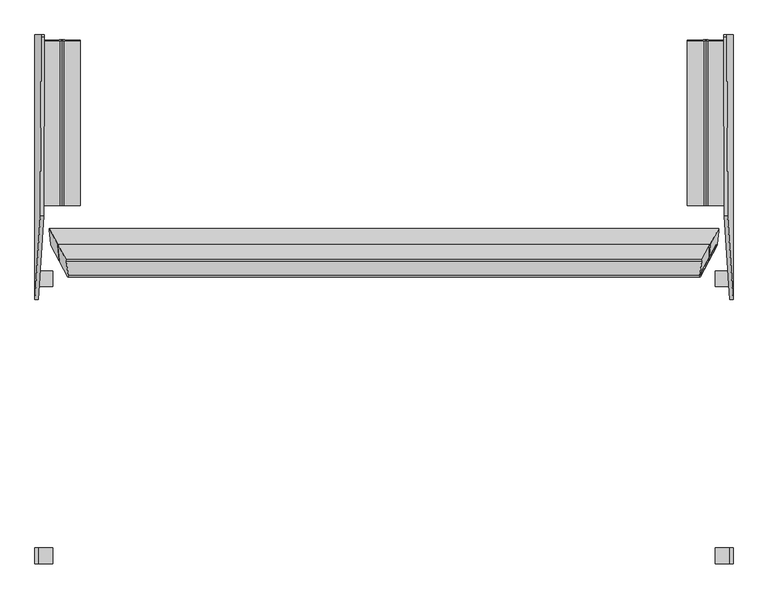
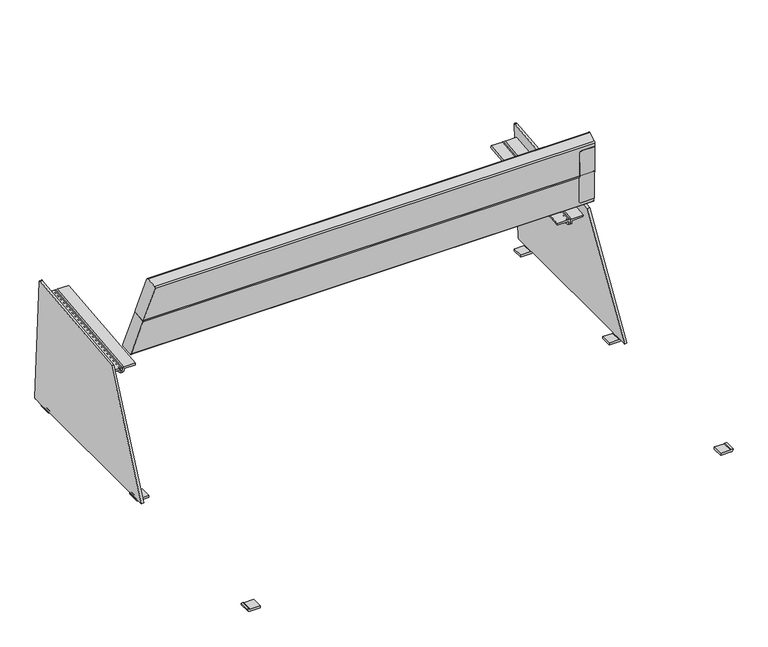
"""IFC4 building model written with IfcOpenShell, lengths in millimetres: furniture geometry."""

from ifc_helpers import new_model, si_unit, point, frame, frame_2d, origin, place, context, project, spatial, polyline, circle_curve, ellipse_curve, trimmed, segment, composite_curve, outline, extrude, source, transform, mapped, element, save
from ifc_brep_helpers import plane_surface, cylinder_surface, revolved_surface, advanced_brep


def furniture_4b49d5e1(model_context):
    return source(origin(), model_context, "Body", "SolidModel", [
        extrude(outline(composite_curve([segment(polyline([(8.0, 873.0307512), (8.0, 836.3870635), (0.0, 836.3870635), (0.0, 874.0907197)]), True, "CONTINUOUS"), segment(trimmed(circle_curve(frame_2d((8.2703475, 873.7509968)), 8.277322), [point((0.0, 874.0907197))], [point((8.2703475, 882.0283188))], False, "CARTESIAN"), True, "CONTINUOUS"), segment(polyline([(8.2703475, 882.0283188), (10.2731042, 882.0283188), (9.9939083, 874.0331922), (9.0714168, 874.0654063)]), True, "CONTINUOUS"), segment(trimmed(circle_curve(frame_2d((9.0352858, 873.0307512)), 1.0352858), [point((9.0714168, 874.0654063))], [point((8.0, 873.0307512))], True, "CARTESIAN"), True, "CONTINUOUS")], self_intersect=False)), frame((0.0, -292.8663844, 0.0), z_axis=(0.0, 1.0, 0.0), x_axis=(0.0, 0.0, 1.0)), (0.0, 0.0, 1.0), 40.0),
        extrude(outline(composite_curve([segment(trimmed(circle_curve(frame_2d((9.0352858, -872.7246235)), 1.0352858), [point((8.0, -872.7246235))], [point((9.0714168, -873.7592787))], True, "CARTESIAN"), True, "CONTINUOUS"), segment(polyline([(9.0714168, -873.7592787), (9.9939083, -873.7270646), (10.2731042, -881.7221912), (8.2703475, -881.7221912)]), True, "CONTINUOUS"), segment(trimmed(circle_curve(frame_2d((8.2703475, -873.4448692)), 8.277322), [point((8.2703475, -881.7221912))], [point((0.0, -873.7845921))], False, "CARTESIAN"), True, "CONTINUOUS"), segment(polyline([(0.0, -873.7845921), (0.0, -836.0809359), (8.0, -836.0809359), (8.0, -872.7246235)]), True, "CONTINUOUS")], self_intersect=False)), frame((0.0, -292.8663844, 0.0), z_axis=(0.0, 1.0, 0.0), x_axis=(0.0, 0.0, 1.0)), (0.0, 0.0, 1.0), 40.0),
        advanced_brep(
        [(868.107991, 586.0009623, 408.8991383), (881.9905734, 374.8756351, 11.3539925), (882.0283188, 377.6111261, 10.2731042), (882.0283188, 407.6111261, 10.2731042), (882.0283188, 447.6111261, 10.2731042), (882.0283188, 963.8214054, 10.2731042), (882.0283188, 1003.8214054, 10.2731042), (882.0283188, 1040.2989159, 10.2731042), (881.8887208, 1044.2989159, 14.2706676), (866.5175483, 1044.2989159, 454.4434578), (866.3787748, 1039.8648139, 458.4174101), (860.1128644, 586.0009623, 408.6199423), (858.3836482, 1039.8648139, 458.1382142), (858.5224217, 1044.2989159, 454.1642618), (873.8935942, 1044.2989159, 13.9914716), (874.0331922, 1040.2989159, 9.9939083), (874.0331922, 1003.8214054, 9.9939083), (874.0654063, 1003.8214054, 9.0714168), (874.0654063, 963.8214054, 9.0714168), (874.0331922, 963.8214054, 9.9939083), (874.0331922, 447.6111261, 9.9939083), (874.0654063, 447.6111261, 9.0714168), (874.0654063, 407.6111261, 9.0714168), (874.0331922, 407.6111261, 9.9939083), (874.0331922, 377.6111261, 9.9939083), (873.9954468, 374.8756351, 11.0747965), (873.0307512, 407.6111261, 8.0), (836.3870635, 407.6111261, 8.0), (836.3870635, 407.6111261, 0.0), (874.0907197, 407.6111261, 0.0), (882.0283188, 407.6111261, 8.2703475), (873.0307512, 447.6111261, 8.0), (882.0283188, 447.6111261, 8.2703475), (874.0907197, 447.6111261, 0.0), (836.3870635, 447.6111261, 0.0), (836.3870635, 447.6111261, 8.0), (873.0307512, 1003.8214054, 8.0), (882.0283188, 1003.8214054, 8.2703475), (874.0907197, 1003.8214054, 0.0), (836.3870635, 1003.8214054, 0.0), (836.3870635, 1003.8214054, 8.0), (873.0307512, 963.8214054, 8.0), (836.3870635, 963.8214054, 8.0), (836.3870635, 963.8214054, 0.0), (874.0907197, 963.8214054, 0.0), (882.0283188, 963.8214054, 8.2703475)],
        [
            (0, 1),
            (1, 2, circle_curve(frame((881.8887163, 377.6111261, 14.2707962), z_axis=(0.9993908270190959, 0.0, 0.0348994967025008), x_axis=(0.0348994967025008, 0.0, -0.9993908270190959)), 4.0001287)),
            (2, 3),
            (3, 4),
            (4, 5),
            (5, 6),
            (6, 7),
            (7, 8, circle_curve(frame((881.8887208, 1040.2989159, 14.2706676), z_axis=(0.9993908270190959, 0.0, 0.0348994967025008), x_axis=(0.0348994967025008, 0.0, -0.9993908270190959)), 4.0)),
            (8, 9),
            (9, 10, circle_curve(frame((866.5175483, 1040.2989159, 454.4434578), z_axis=(0.9993908270190959, 0.0, 0.0348994967025008), x_axis=(0.0348994967025008, 0.0, -0.9993908270190959)), 4.0)),
            (10, 0),
            (11, 12),
            (12, 13, circle_curve(frame((858.5224217, 1040.2989159, 454.1642618), z_axis=(-0.9993908270190959, 0.0, -0.0348994967025008), x_axis=(0.0348994967025008, 0.0, -0.9993908270190959)), 4.0)),
            (13, 14),
            (14, 15, circle_curve(frame((873.8935942, 1040.2989159, 13.9914716), z_axis=(-0.9993908270190959, 0.0, -0.0348994967025008), x_axis=(0.0348994967025008, 0.0, -0.9993908270190959)), 4.0)),
            (15, 16),
            (16, 17),
            (17, 18),
            (18, 19),
            (19, 20),
            (20, 21),
            (21, 22),
            (22, 23),
            (23, 24),
            (24, 25, circle_curve(frame((873.8935897, 377.6111261, 13.9916002), z_axis=(-0.9993908270190959, 0.0, -0.0348994967025008), x_axis=(0.0348994967025008, 0.0, -0.9993908270190959)), 4.0001287)),
            (25, 11),
            (0, 11),
            (25, 1),
            (24, 2),
            (23, 3),
            (15, 7),
            (6, 16),
            (4, 20),
            (19, 5),
            (14, 8),
            (13, 9),
            (12, 10),
            (26, 27),
            (27, 28),
            (28, 29),
            (29, 30, circle_curve(frame((873.7509968, 407.6111261, 8.2703475), z_axis=(0.0, -1.0, 0.0), x_axis=(-1.0, 0.0, 0.0)), 8.277322)),
            (30, 3),
            (22, 26, circle_curve(frame((873.0307512, 407.6111261, 9.0352858), z_axis=(0.0, 1.0, 0.0), x_axis=(-1.0, 0.0, 0.0)), 1.0352858)),
            (31, 21, circle_curve(frame((873.0307512, 447.6111261, 9.0352858), z_axis=(0.0, -1.0, 0.0), x_axis=(-1.0, 0.0, 0.0)), 1.0352858)),
            (4, 32),
            (32, 33, circle_curve(frame((873.7509968, 447.6111261, 8.2703475), z_axis=(0.0, 1.0, 0.0), x_axis=(-1.0, 0.0, 0.0)), 8.277322)),
            (33, 34),
            (34, 35),
            (35, 31),
            (31, 26),
            (28, 34),
            (33, 29),
            (27, 35),
            (30, 32),
            (36, 17, circle_curve(frame((873.0307512, 1003.8214054, 9.0352858), z_axis=(0.0, -1.0, 0.0), x_axis=(-1.0, 0.0, 0.0)), 1.0352858)),
            (6, 37),
            (37, 38, circle_curve(frame((873.7509968, 1003.8214054, 8.2703475), z_axis=(0.0, 1.0, 0.0), x_axis=(-1.0, 0.0, 0.0)), 8.277322)),
            (38, 39),
            (39, 40),
            (40, 36),
            (41, 42),
            (42, 43),
            (43, 44),
            (44, 45, circle_curve(frame((873.7509968, 963.8214054, 8.2703475), z_axis=(0.0, -1.0, 0.0), x_axis=(-1.0, 0.0, 0.0)), 8.277322)),
            (45, 5),
            (18, 41, circle_curve(frame((873.0307512, 963.8214054, 9.0352858), z_axis=(0.0, 1.0, 0.0), x_axis=(-1.0, 0.0, 0.0)), 1.0352858)),
            (36, 41),
            (38, 44),
            (43, 39),
            (42, 40),
            (45, 37),
        ],
        [
            plane_surface(frame((868.0672975, 586.6198261, 410.0644476), z_axis=(0.9993908270190959, 0.0, 0.0348994967025008), x_axis=(0.030826689731681154, -0.46881010804538603, -0.8827608950302795))),
            plane_surface(frame((860.0721709, 586.6198261, 409.7852516), z_axis=(-0.9993908270190959, 0.0, -0.0348994967025008), x_axis=(-0.030826689731681154, 0.46881010804538603, 0.8827608950302795))),
            plane_surface(frame((868.107991, 586.0009623, 408.8991383), z_axis=(-0.01636123681982749, -0.8832989769010681, 0.4685245215943901), x_axis=(-0.9993908270190959, 0.0, -0.03489949670249758))),
            cylinder_surface(frame((873.8935897, 377.6111261, 13.9916002), z_axis=(0.9993908270190959, 0.0, 0.0348994967025008), x_axis=(0.0348994967025008, 0.0, -0.9993908270190959)), 4.0001287),
            plane_surface(frame((882.0283188, 377.6111261, 10.2731042), z_axis=(0.034899496702506035, 0.0, -0.9993908270190955), x_axis=(-0.9993908270190955, 0.0, -0.034899496702506035))),
            cylinder_surface(frame((873.8935942, 1040.2989159, 13.9914716), z_axis=(0.9993908270190959, 0.0, 0.0348994967025008), x_axis=(0.0348994967025008, 0.0, -0.9993908270190959)), 4.0),
            plane_surface(frame((881.8887208, 1044.2989159, 14.2706676), z_axis=(0.0, 1.0, 0.0), x_axis=(-0.9993908270190959, 0.0, -0.03489949670249758))),
            cylinder_surface(frame((858.5224217, 1040.2989159, 454.1642618), z_axis=(0.9993908270190959, 0.0, 0.0348994967025008), x_axis=(0.0348994967025008, 0.0, -0.9993908270190959)), 4.0),
            plane_surface(frame((866.3787748, 1039.8648139, 458.4174101), z_axis=(-0.03469336856702337, -0.10852550922751893, 0.9934880895231611), x_axis=(-0.9993908270190962, 0.0, -0.03489949670248914))),
            plane_surface(frame((836.3870635, 407.6111261, 8.0), z_axis=(0.0, -1.0, 0.0), x_axis=(-1.0, 0.0, 0.0))),
            plane_surface(frame((836.3870635, 447.6111261, 8.0), z_axis=(0.0, 1.0, 0.0), x_axis=(1.0, 0.0, 0.0))),
            revolved_surface(polyline([(871.9954654000001, 447.6111261, 9.0352858), (871.9954654000001, 407.6111261, 9.0352858)]), (873.0307512, 447.6111261, 9.0352858), (0.0, 1.0, 0.0)),
            plane_surface(frame((836.3870635, 407.6111261, 0.0), z_axis=(0.0, 0.0, -1.0), x_axis=(0.0, 1.0, 0.0))),
            plane_surface(frame((836.3870635, 407.6111261, 8.0), z_axis=(-1.0, 0.0, 0.0), x_axis=(0.0, 1.0, 0.0))),
            plane_surface(frame((873.0307512, 407.6111261, 8.0), z_axis=(0.0, 0.0, 1.0), x_axis=(0.0, 1.0, 0.0))),
            plane_surface(frame((882.0283188, 407.6111261, 8.2703475), z_axis=(1.0, 0.0, 0.0), x_axis=(0.0, 1.0, 0.0))),
            cylinder_surface(frame((873.7509968, 447.6111261, 8.2703475), z_axis=(0.0, -1.0, 0.0), x_axis=(-1.0, 0.0, 0.0)), 8.277322),
            plane_surface(frame((871.9954653, 1003.8214054, 9.0352858), z_axis=(0.0, 1.0, 0.0), x_axis=(0.0, 0.0, -1.0))),
            plane_surface(frame((871.9954653, 963.8214054, 9.0352858), z_axis=(0.0, -1.0, 0.0), x_axis=(0.0, 0.0, 1.0))),
            revolved_surface(polyline([(871.9954654000001, 963.8214054, 9.0352858), (871.9954654000001, 1003.8214054, 9.0352858)]), (873.0307512, 963.8214054, 9.0352858), (0.0, -1.0, 0.0)),
            plane_surface(frame((874.0907197, 1003.8214054, 0.0), z_axis=(0.0, 0.0, -1.0), x_axis=(0.0, -1.0, 0.0))),
            plane_surface(frame((836.3870635, 1003.8214054, 0.0), z_axis=(-1.0, 0.0, 0.0), x_axis=(0.0, -1.0, 0.0))),
            plane_surface(frame((836.3870635, 1003.8214054, 8.0), z_axis=(0.0, 0.0, 1.0), x_axis=(0.0, -1.0, 0.0))),
            plane_surface(frame((882.0283188, 1003.8214054, 10.2731042), z_axis=(1.0, 0.0, 0.0), x_axis=(0.0, -1.0, 0.0))),
            cylinder_surface(frame((873.7509968, 963.8214054, 8.2703475), z_axis=(0.0, 1.0, 0.0), x_axis=(-1.0, 0.0, 0.0)), 8.277322),
        ],
        [
            (0, [[1, 2, 3, 4, 5, 6, 7, 8, 9, 10, 11]]),
            (1, [[12, 13, 14, 15, 16, 17, 18, 19, 20, 21, 22, 23, 24, 25, 26]]),
            (2, [[-1, 27, -26, 28]]),
            (3, [[-2, -28, -25, 29]]),
            (4, [[-29, -24, 30, -3]]),
            (4, [[31, -7, 32, -16]]),
            (4, [[33, -20, 34, -5]]),
            (5, [[-8, -31, -15, 35]]),
            (6, [[-9, -35, -14, 36]]),
            (7, [[-10, -36, -13, 37]]),
            (8, [[-11, -37, -12, -27]]),
            (9, [[38, 39, 40, 41, 42, -30, -23, 43]]),
            (10, [[44, -21, -33, 45, 46, 47, 48, 49]]),
            (11, [[-43, -22, -44, 50]]),
            (12, [[-40, 51, -47, 52]]),
            (13, [[-39, 53, -48, -51]]),
            (14, [[-38, -50, -49, -53]]),
            (15, [[-42, 54, -45, -4]]),
            (16, [[-41, -52, -46, -54]]),
            (17, [[55, -17, -32, 56, 57, 58, 59, 60]]),
            (18, [[61, 62, 63, 64, 65, -34, -19, 66]]),
            (19, [[-55, 67, -66, -18]]),
            (20, [[-58, 68, -63, 69]]),
            (21, [[-59, -69, -62, 70]]),
            (22, [[-60, -70, -61, -67]]),
            (23, [[-56, -6, -65, 71]]),
            (24, [[-57, -71, -64, -68]]),
        ],
    ),
        advanced_brep(
        [(812.5430123, 614.3955054, 347.1443157), (812.5430123, 1032.0535086, 392.7020678), (812.5430123, 1030.2988015, 408.7964286), (812.5430123, 612.6384188, 363.2605016), (806.5474184, 1032.0535086, 392.7020678), (806.5474184, 614.3955054, 347.1443157), (806.5474184, 613.1170209, 358.8707122), (806.5474184, 1030.7774035, 404.4066392), (805.5963377, 1030.6743217, 405.3521172), (766.5577736, 1030.6743217, 405.3521172), (766.5577736, 1029.8652657, 412.772865), (808.5430123, 1029.8652657, 412.772865), (808.5430123, 612.2048831, 367.236938), (766.5577736, 612.2048831, 367.236938), (766.5577736, 613.013939, 359.8161902), (805.5963377, 613.013939, 359.8161902)],
        [
            (0, 1, circle_curve(frame((812.5430123, 770.7220857, 851.2475639), z_axis=(1.0, 0.0, 0.0), x_axis=(0.0, 1.0, 0.0)), 527.7860216)),
            (1, 2),
            (2, 3),
            (3, 0),
            (4, 5, circle_curve(frame((806.5474184, 770.7220857, 851.2475639), z_axis=(-1.0, 0.0, 0.0), x_axis=(0.0, 1.0, 0.0)), 527.7860216)),
            (5, 6),
            (6, 7),
            (7, 4),
            (1, 4),
            (7, 8, circle_curve(frame((805.5963377, 1030.7774035, 404.4066392), z_axis=(0.0, -0.9941091089617909, -0.10838394474826071), x_axis=(0.0, 0.10838394474826071, -0.9941091089617909)), 0.9510807)),
            (8, 9),
            (9, 10),
            (10, 11),
            (11, 2, circle_curve(frame((808.5430123, 1030.2988015, 408.7964286), z_axis=(0.0, 0.9941091089617909, 0.10838394474826071), x_axis=(0.0, 0.10838394474826071, -0.9941091089617909)), 4.0)),
            (0, 5),
            (3, 12, circle_curve(frame((808.5430123, 612.6384188, 363.2605016), z_axis=(0.0, -0.9941091089617909, -0.10838394474826071), x_axis=(0.0, 0.10838394474826071, -0.9941091089617909)), 4.0)),
            (12, 13),
            (13, 14),
            (14, 15),
            (15, 6, circle_curve(frame((805.5963377, 613.1170209, 358.8707122), z_axis=(0.0, 0.9941091089617909, 0.10838394474826071), x_axis=(0.0, 0.10838394474826071, -0.9941091089617909)), 0.9510807)),
            (9, 14),
            (13, 10),
            (8, 15),
            (11, 12),
        ],
        [
            plane_surface(frame((812.5430123, 613.1510989, 358.5581456), z_axis=(1.0, 0.0, 0.0), x_axis=(0.0, -0.9941091089617913, -0.10838394474825762))),
            plane_surface(frame((806.5474184, 613.1510989, 358.5581456), z_axis=(-1.0, 0.0, 0.0), x_axis=(0.0, 0.9941091089617913, 0.10838394474825762))),
            plane_surface(frame((812.5430123, 1032.0535086, 392.7020678), z_axis=(0.0, 0.994109108961791, 0.10838394474826007), x_axis=(-1.0, 0.0, 0.0))),
            cylinder_surface(frame((806.5474184, 770.7220857, 851.2475639), z_axis=(1.0, 0.0, 0.0), x_axis=(0.0, 1.0, 0.0)), 527.7860216),
            plane_surface(frame((812.5430123, 613.1510989, 358.5581456), z_axis=(0.0, -0.994109108961791, -0.10838394474826041), x_axis=(-1.0, 0.0, 0.0))),
            plane_surface(frame((766.5577736, 1030.6743217, 405.3521172), z_axis=(-1.0000000000000002, 0.0, 0.0), x_axis=(0.0, -0.994109108961791, -0.10838394474826069))),
            plane_surface(frame((805.5963377, 1030.6743217, 405.3521172), z_axis=(0.0, 0.10838394474826069, -0.994109108961791), x_axis=(0.0, -0.994109108961791, -0.10838394474826069))),
            revolved_surface(polyline([(805.5963377, 613.220102757714, 357.9252342105562), (805.5963377, 1030.8804854548553, 403.46116123677587)]), (805.5963377, 613.1170209, 358.8707122), (0.0, -0.9941091089617909, -0.10838394474826071)),
            cylinder_surface(frame((808.5430123, 612.6384188, 363.2605016), z_axis=(0.0, 0.9941091089617909, 0.10838394474826071), x_axis=(0.0, 0.10838394474826071, -0.9941091089617909)), 4.0),
            plane_surface(frame((766.5577736, 1029.8652657, 412.772865), z_axis=(0.0, -0.10838394474826069, 0.994109108961791), x_axis=(0.0, -0.994109108961791, -0.10838394474826069))),
        ],
        [
            (0, [[1, 2, 3, 4]]),
            (1, [[5, 6, 7, 8]]),
            (2, [[-2, 9, -8, 10, 11, 12, 13, 14]]),
            (3, [[-1, 15, -5, -9]]),
            (4, [[-6, -15, -4, 16, 17, 18, 19, 20]]),
            (5, [[-12, 21, -18, 22]]),
            (6, [[-11, 23, -19, -21]]),
            (7, [[-10, -7, -20, -23]]),
            (8, [[-14, 24, -16, -3]]),
            (9, [[-13, -22, -17, -24]]),
        ],
    ),
        advanced_brep(
        [(813.6175866, 1032.0535086, 392.7020678), (813.6175866, 614.3955054, 347.1443157), (813.6175866, 612.6552624, 363.1060105), (813.6175866, 1030.315645, 408.6419375), (819.6131806, 614.3955054, 347.1443157), (819.6131806, 1032.0535086, 392.7020678), (819.6131806, 1030.7774035, 404.4066392), (819.6131806, 613.1170209, 358.8707122), (817.6175866, 1029.8821093, 412.6183739), (859.6028254, 1029.8821093, 412.6183739), (859.6028254, 1030.6743217, 405.3521172), (820.5642613, 1030.6743217, 405.3521172), (820.5642613, 613.013939, 359.8161902), (859.6028254, 613.013939, 359.8161902), (859.6028254, 612.2217266, 367.0824469), (817.6175866, 612.2217266, 367.0824469)],
        [
            (0, 1, circle_curve(frame((813.6175866, 770.7220857, 851.2475639), z_axis=(-1.0, 0.0, 0.0), x_axis=(0.0, 1.0, 0.0)), 527.7860216)),
            (1, 2),
            (2, 3),
            (3, 0),
            (4, 5, circle_curve(frame((819.6131806, 770.7220857, 851.2475639), z_axis=(1.0, 0.0, 0.0), x_axis=(0.0, 1.0, 0.0)), 527.7860216)),
            (5, 6),
            (6, 7),
            (7, 4),
            (5, 0),
            (3, 8, circle_curve(frame((817.6175866, 1030.315645, 408.6419375), z_axis=(0.0, 0.9941091089617909, 0.10838394474826071), x_axis=(0.0, 0.10838394474826071, -0.9941091089617909)), 4.0)),
            (8, 9),
            (9, 10),
            (10, 11),
            (11, 6, circle_curve(frame((820.5642613, 1030.7774035, 404.4066392), z_axis=(0.0, -0.9941091089617909, -0.10838394474826071), x_axis=(0.0, 0.10838394474826071, -0.9941091089617909)), 0.9510807)),
            (4, 1),
            (7, 12, circle_curve(frame((820.5642613, 613.1170209, 358.8707122), z_axis=(0.0, 0.9941091089617909, 0.10838394474826071), x_axis=(0.0, 0.10838394474826071, -0.9941091089617909)), 0.9510807)),
            (12, 13),
            (13, 14),
            (14, 15),
            (15, 2, circle_curve(frame((817.6175866, 612.6552624, 363.1060105), z_axis=(0.0, -0.9941091089617909, -0.10838394474826071), x_axis=(0.0, 0.10838394474826071, -0.9941091089617909)), 4.0)),
            (9, 14),
            (13, 10),
            (12, 11),
            (15, 8),
        ],
        [
            plane_surface(frame((813.6175866, 1030.8114815, 404.0940726), z_axis=(-1.0, 0.0, 0.0), x_axis=(0.0, 0.10838394474826071, -0.9941091089617909))),
            plane_surface(frame((819.6131806, 1030.8114815, 404.0940726), z_axis=(1.0, 0.0, 0.0), x_axis=(0.0, -0.10838394474826071, 0.9941091089617909))),
            plane_surface(frame((813.6175866, 1030.8114815, 404.0940726), z_axis=(0.0, 0.9941091089617909, 0.10838394474826071), x_axis=(1.0, 0.0, 0.0))),
            cylinder_surface(frame((819.6131806, 770.7220857, 851.2475639), z_axis=(-1.0, 0.0, 0.0), x_axis=(0.0, 1.0, 0.0)), 527.7860216),
            plane_surface(frame((813.6175866, 614.3955054, 347.1443157), z_axis=(0.0, -0.994109108961791, -0.10838394474826041), x_axis=(1.0, 0.0, 0.0))),
            plane_surface(frame((859.6028254, 1029.8821093, 412.6183739), z_axis=(1.0000000000000002, 0.0, 0.0), x_axis=(0.0, -0.994109108961791, -0.10838394474826081))),
            plane_surface(frame((859.6028254, 1030.6743217, 405.3521172), z_axis=(0.0, 0.10838394474826064, -0.994109108961791), x_axis=(0.0, -0.994109108961791, -0.10838394474826064))),
            revolved_surface(polyline([(820.5642613, 613.220102757714, 357.9252342105562), (820.5642613, 1030.8804854548553, 403.46116123677587)]), (820.5642613, 613.1170209, 358.8707122), (0.0, -0.9941091089617909, -0.10838394474826071)),
            cylinder_surface(frame((817.6175866, 612.6552624, 363.1060105), z_axis=(0.0, 0.9941091089617909, 0.10838394474826071), x_axis=(0.0, 0.10838394474826071, -0.9941091089617909)), 4.0),
            plane_surface(frame((817.6175866, 1029.8821093, 412.6183739), z_axis=(0.0, -0.10838394474826081, 0.994109108961791), x_axis=(0.0, -0.994109108961791, -0.10838394474826081))),
        ],
        [
            (0, [[1, 2, 3, 4]]),
            (1, [[5, 6, 7, 8]]),
            (2, [[-6, 9, -4, 10, 11, 12, 13, 14]]),
            (3, [[-1, -9, -5, 15]]),
            (4, [[-2, -15, -8, 16, 17, 18, 19, 20]]),
            (5, [[-12, 21, -18, 22]]),
            (6, [[-13, -22, -17, 23]]),
            (7, [[-14, -23, -16, -7]]),
            (8, [[-10, -3, -20, 24]]),
            (9, [[-11, -24, -19, -21]]),
        ],
    ),
        advanced_brep(
        [(-813.6175866, 614.3955054, 347.1443157), (-813.6175866, 1032.0535086, 392.7020678), (-813.6175866, 1030.2867994, 408.9065131), (-813.6175866, 612.6264167, 363.3705861), (-819.6131806, 1032.0535086, 392.7020678), (-819.6131806, 614.3955054, 347.1443157), (-819.6131806, 613.1170209, 358.8707122), (-819.6131806, 1030.7774035, 404.4066392), (-820.5642613, 1030.6743217, 405.3521172), (-859.6028254, 1030.6743217, 405.3521172), (-859.6028254, 1029.8532636, 412.8829495), (-817.6175866, 1029.8532636, 412.8829495), (-817.6175866, 612.192881, 367.3470225), (-859.6028254, 612.192881, 367.3470225), (-859.6028254, 613.013939, 359.8161902), (-820.5642613, 613.013939, 359.8161902)],
        [
            (0, 1, circle_curve(frame((-813.6175866, 770.7220857, 851.2475639), z_axis=(1.0, 0.0, 0.0), x_axis=(0.0, 1.0, 0.0)), 527.7860216)),
            (1, 2),
            (2, 3),
            (3, 0),
            (4, 5, circle_curve(frame((-819.6131806, 770.7220857, 851.2475639), z_axis=(-1.0, 0.0, 0.0), x_axis=(0.0, 1.0, 0.0)), 527.7860216)),
            (5, 6),
            (6, 7),
            (7, 4),
            (1, 4),
            (7, 8, circle_curve(frame((-820.5642613, 1030.7774035, 404.4066392), z_axis=(0.0, -0.9941091089617909, -0.10838394474826071), x_axis=(0.0, 0.10838394474826071, -0.9941091089617909)), 0.9510807)),
            (8, 9),
            (9, 10),
            (10, 11),
            (11, 2, circle_curve(frame((-817.6175866, 1030.2867994, 408.9065131), z_axis=(0.0, 0.9941091089617909, 0.10838394474826071), x_axis=(0.0, 0.10838394474826071, -0.9941091089617909)), 4.0)),
            (0, 5),
            (3, 12, circle_curve(frame((-817.6175866, 612.6264167, 363.3705861), z_axis=(0.0, -0.9941091089617909, -0.10838394474826071), x_axis=(0.0, 0.10838394474826071, -0.9941091089617909)), 4.0)),
            (12, 13),
            (13, 14),
            (14, 15),
            (15, 6, circle_curve(frame((-820.5642613, 613.1170209, 358.8707122), z_axis=(0.0, 0.9941091089617909, 0.10838394474826071), x_axis=(0.0, 0.10838394474826071, -0.9941091089617909)), 0.9510807)),
            (9, 14),
            (13, 10),
            (8, 15),
            (11, 12),
        ],
        [
            plane_surface(frame((-813.6175866, 613.1510989, 358.5581456), z_axis=(1.0, 0.0, 0.0), x_axis=(0.0, -0.9941091089617913, -0.10838394474825762))),
            plane_surface(frame((-819.6131806, 613.1510989, 358.5581456), z_axis=(-1.0, 0.0, 0.0), x_axis=(0.0, 0.9941091089617913, 0.10838394474825762))),
            plane_surface(frame((-813.6175866, 1032.0535086, 392.7020678), z_axis=(0.0, 0.9941091089617909, 0.10838394474826071), x_axis=(-1.0, 0.0, 0.0))),
            cylinder_surface(frame((-819.6131806, 770.7220857, 851.2475639), z_axis=(1.0, 0.0, 0.0), x_axis=(0.0, 1.0, 0.0)), 527.7860216),
            plane_surface(frame((-813.6175866, 613.1510989, 358.5581456), z_axis=(0.0, -0.994109108961791, -0.10838394474826041), x_axis=(-1.0, 0.0, 0.0))),
            plane_surface(frame((-859.6028254, 1030.6743217, 405.3521172), z_axis=(-1.0000000000000002, 0.0, 0.0), x_axis=(0.0, -0.994109108961791, -0.10838394474826064))),
            plane_surface(frame((-820.5642613, 1030.6743217, 405.3521172), z_axis=(0.0, 0.10838394474826064, -0.994109108961791), x_axis=(0.0, -0.994109108961791, -0.10838394474826064))),
            revolved_surface(polyline([(-820.5642613, 613.220102757714, 357.9252342105562), (-820.5642613, 1030.8804854548553, 403.46116123677587)]), (-820.5642613, 613.1170209, 358.8707122), (0.0, -0.9941091089617909, -0.10838394474826071)),
            cylinder_surface(frame((-817.6175866, 612.6264167, 363.3705861), z_axis=(0.0, 0.9941091089617909, 0.10838394474826071), x_axis=(0.0, 0.10838394474826071, -0.9941091089617909)), 4.0),
            plane_surface(frame((-859.6028254, 1029.8532636, 412.8829495), z_axis=(0.0, -0.10838394474826064, 0.994109108961791), x_axis=(0.0, -0.994109108961791, -0.10838394474826064))),
        ],
        [
            (0, [[1, 2, 3, 4]]),
            (1, [[5, 6, 7, 8]]),
            (2, [[-2, 9, -8, 10, 11, 12, 13, 14]]),
            (3, [[-1, 15, -5, -9]]),
            (4, [[-6, -15, -4, 16, 17, 18, 19, 20]]),
            (5, [[-12, 21, -18, 22]]),
            (6, [[-11, 23, -19, -21]]),
            (7, [[-10, -7, -20, -23]]),
            (8, [[-14, 24, -16, -3]]),
            (9, [[-13, -22, -17, -24]]),
        ],
    ),
        advanced_brep(
        [(-766.5577736, 1029.8448496, 412.9601231), (-766.5577736, 1030.6743217, 405.3521172), (-805.5963377, 1030.6743217, 405.3521172), (-806.5474184, 1030.7774035, 404.4066392), (-806.5474184, 1032.0535086, 392.7020678), (-812.5430123, 1032.0535086, 392.7020678), (-812.5430123, 1030.8114815, 404.0940726), (-812.5430123, 1030.2783854, 408.9836866), (-808.5430123, 1029.8448496, 412.9601231), (-766.5577736, 612.184467, 367.4241961), (-808.5430123, 612.184467, 367.4241961), (-812.5430123, 612.6180028, 363.4477596), (-812.5430123, 613.1510989, 358.5581456), (-812.5430123, 614.3955054, 347.1443157), (-806.5474184, 614.3955054, 347.1443157), (-806.5474184, 613.1170209, 358.8707122), (-805.5963377, 613.013939, 359.8161902), (-766.5577736, 613.013939, 359.8161902)],
        [
            (0, 1),
            (1, 2),
            (2, 3, circle_curve(frame((-805.5963377, 1030.7774035, 404.4066392), z_axis=(0.0, -0.9941091089617909, -0.10838394474826071), x_axis=(0.0, 0.10838394474826071, -0.9941091089617909)), 0.9510807)),
            (3, 4),
            (4, 5),
            (5, 6),
            (6, 7),
            (7, 8, circle_curve(frame((-808.5430123, 1030.2783854, 408.9836866), z_axis=(0.0, 0.9941091089617909, 0.10838394474826071), x_axis=(0.0, 0.10838394474826071, -0.9941091089617909)), 4.0)),
            (8, 0),
            (9, 10),
            (10, 11, circle_curve(frame((-808.5430123, 612.6180028, 363.4477596), z_axis=(0.0, -0.9941091089617909, -0.10838394474826071), x_axis=(0.0, 0.10838394474826071, -0.9941091089617909)), 4.0)),
            (11, 12),
            (12, 13),
            (13, 14),
            (14, 15),
            (15, 16, circle_curve(frame((-805.5963377, 613.1170209, 358.8707122), z_axis=(0.0, 0.9941091089617909, 0.10838394474826071), x_axis=(0.0, 0.10838394474826071, -0.9941091089617909)), 0.9510807)),
            (16, 17),
            (17, 9),
            (0, 9),
            (17, 1),
            (16, 2),
            (15, 3),
            (14, 4, circle_curve(frame((-806.5474184, 770.7220857, 851.2475639), z_axis=(1.0, 0.0, 0.0), x_axis=(0.0, 1.0, 0.0)), 527.7860216)),
            (5, 13, circle_curve(frame((-812.5430123, 770.7220857, 851.2475639), z_axis=(-1.0, 0.0, 0.0), x_axis=(0.0, 1.0, 0.0)), 527.7860216)),
            (12, 6),
            (11, 7),
            (10, 8),
        ],
        [
            plane_surface(frame((-766.5577736, 1030.7974029, 404.223203), z_axis=(0.0, 0.9941091089617909, 0.1083839447482607), x_axis=(0.0, 0.1083839447482607, -0.9941091089617909))),
            plane_surface(frame((-766.5577736, 613.1370203, 358.6872759), z_axis=(0.0, -0.9941091089617909, -0.1083839447482607), x_axis=(0.0, -0.1083839447482607, 0.9941091089617909))),
            plane_surface(frame((-766.5577736, 1029.8448496, 412.9601231), z_axis=(1.0000000000000002, 0.0, 0.0), x_axis=(0.0, -0.994109108961791, -0.10838394474826064))),
            plane_surface(frame((-766.5577736, 1030.6743217, 405.3521172), z_axis=(0.0, 0.10838394474826064, -0.994109108961791), x_axis=(0.0, -0.994109108961791, -0.10838394474826064))),
            revolved_surface(polyline([(-805.5963377, 613.220102757714, 357.9252342105562), (-805.5963377, 1030.8804854548553, 403.46116123677587)]), (-805.5963377, 613.1170209, 358.8707122), (0.0, -0.9941091089617909, -0.10838394474826071)),
            plane_surface(frame((-806.5474184, 1030.7774035, 404.4066392), z_axis=(1.0000000000000002, 0.0, 0.0), x_axis=(0.0, -0.994109108961791, -0.10838394474826064))),
            plane_surface(frame((-812.5430123, 1031.1577981, 400.9176199), z_axis=(-1.0000000000000002, 0.0, 0.0), x_axis=(0.0, -0.994109108961791, -0.10838394474826069))),
            plane_surface(frame((-812.5430123, 1030.8114815, 404.0940726), z_axis=(-1.0000000000000002, 0.0, 0.0), x_axis=(0.0, -0.994109108961791, -0.10838394474826064))),
            cylinder_surface(frame((-808.5430123, 612.6180028, 363.4477596), z_axis=(0.0, 0.9941091089617909, 0.10838394474826071), x_axis=(0.0, 0.10838394474826071, -0.9941091089617909)), 4.0),
            plane_surface(frame((-808.5430123, 1029.8448496, 412.9601231), z_axis=(0.0, -0.10838394474826064, 0.994109108961791), x_axis=(0.0, -0.994109108961791, -0.10838394474826064))),
            cylinder_surface(frame((-806.5474184, 770.7220857, 851.2475639), z_axis=(-1.0, 0.0, 0.0), x_axis=(0.0, 1.0, 0.0)), 527.7860216),
        ],
        [
            (0, [[1, 2, 3, 4, 5, 6, 7, 8, 9]]),
            (1, [[10, 11, 12, 13, 14, 15, 16, 17, 18]]),
            (2, [[-1, 19, -18, 20]]),
            (3, [[-2, -20, -17, 21]]),
            (4, [[-3, -21, -16, 22]]),
            (5, [[-4, -22, -15, 23]]),
            (6, [[-6, 24, -13, 25]]),
            (7, [[-7, -25, -12, 26]]),
            (8, [[-8, -26, -11, 27]]),
            (9, [[-9, -27, -10, -19]]),
            (10, [[-24, -5, -23, -14]]),
        ],
    ),
        advanced_brep(
        [(-872.7246235, 407.6111261, 8.0), (-873.7592787, 407.6111261, 9.0714168), (-873.7270646, 407.6111261, 9.9939083), (-881.7221912, 407.6111261, 10.2731042), (-881.7221912, 407.6111261, 8.2703475), (-873.7845921, 407.6111261, 0.0), (-836.0809359, 407.6111261, 0.0), (-836.0809359, 407.6111261, 8.0), (-872.7246235, 447.6111261, 8.0), (-836.0809359, 447.6111261, 8.0), (-836.0809359, 447.6111261, 0.0), (-873.7845921, 447.6111261, 0.0), (-881.7221912, 447.6111261, 8.2703475), (-881.7221912, 447.6111261, 10.2731042), (-873.7270646, 447.6111261, 9.9939083), (-873.7592787, 447.6111261, 9.0714168), (-873.7270646, 963.8214054, 9.9939083), (-873.7592787, 963.8214054, 9.0714168), (-873.7592787, 1003.8214054, 9.0714168), (-873.7270646, 1003.8214054, 9.9939083), (-873.7270646, 1040.2989159, 9.9939083), (-873.5874666, 1044.2989159, 13.9914716), (-858.216294, 1044.2989159, 454.1642618), (-858.0775206, 1039.8648139, 458.1382142), (-859.8067367, 586.0009623, 408.6199423), (-873.6893191, 374.8756351, 11.0747965), (-873.7270646, 377.6111261, 9.9939083), (-867.8018633, 586.0009623, 408.8991383), (-866.0726472, 1039.8648139, 458.4174101), (-866.2114206, 1044.2989159, 454.4434578), (-881.5825932, 1044.2989159, 14.2706676), (-881.7221912, 1040.2989159, 10.2731042), (-881.7221912, 1003.8214054, 10.2731042), (-881.7221912, 963.8214054, 10.2731042), (-881.7221912, 377.6111261, 10.2731042), (-881.6844457, 374.8756351, 11.3539925), (-872.7246235, 1003.8214054, 8.0), (-836.0809359, 1003.8214054, 8.0), (-836.0809359, 1003.8214054, 0.0), (-873.7845921, 1003.8214054, 0.0), (-881.7221912, 1003.8214054, 8.2703475), (-872.7246235, 963.8214054, 8.0), (-881.7221912, 963.8214054, 8.2703475), (-873.7845921, 963.8214054, 0.0), (-836.0809359, 963.8214054, 0.0), (-836.0809359, 963.8214054, 8.0)],
        [
            (0, 1, circle_curve(frame((-872.7246235, 407.6111261, 9.0352858), z_axis=(0.0, 1.0, 0.0), x_axis=(1.0, 0.0, 0.0)), 1.0352858)),
            (1, 2),
            (2, 3),
            (3, 4),
            (4, 5, circle_curve(frame((-873.4448692, 407.6111261, 8.2703475), z_axis=(0.0, -1.0, 0.0), x_axis=(1.0, 0.0, 0.0)), 8.277322)),
            (5, 6),
            (6, 7),
            (7, 0),
            (8, 9),
            (9, 10),
            (10, 11),
            (11, 12, circle_curve(frame((-873.4448692, 447.6111261, 8.2703475), z_axis=(0.0, 1.0, 0.0), x_axis=(1.0, 0.0, 0.0)), 8.277322)),
            (12, 13),
            (13, 14),
            (14, 15),
            (15, 8, circle_curve(frame((-872.7246235, 447.6111261, 9.0352858), z_axis=(0.0, -1.0, 0.0), x_axis=(1.0, 0.0, 0.0)), 1.0352858)),
            (0, 8),
            (15, 1),
            (14, 16),
            (16, 17),
            (17, 18),
            (18, 19),
            (19, 20),
            (20, 21, circle_curve(frame((-873.5874666, 1040.2989159, 13.9914716), z_axis=(0.9993908270190959, 0.0, -0.0348994967025008), x_axis=(-0.0348994967025008, 0.0, -0.9993908270190959)), 4.0)),
            (21, 22),
            (22, 23, circle_curve(frame((-858.216294, 1040.2989159, 454.1642618), z_axis=(0.9993908270190959, 0.0, -0.0348994967025008), x_axis=(-0.0348994967025008, 0.0, -0.9993908270190959)), 4.0)),
            (23, 24),
            (24, 25),
            (25, 26, circle_curve(frame((-873.5874621, 377.6111261, 13.9916002), z_axis=(0.9993908270190959, 0.0, -0.0348994967025008), x_axis=(-0.0348994967025008, 0.0, -0.9993908270190959)), 4.0001287)),
            (26, 2),
            (5, 11),
            (10, 6),
            (9, 7),
            (3, 13),
            (12, 4),
            (27, 28),
            (28, 29, circle_curve(frame((-866.2114206, 1040.2989159, 454.4434578), z_axis=(-0.9993908270190959, 0.0, 0.0348994967025008), x_axis=(-0.0348994967025008, 0.0, -0.9993908270190959)), 4.0)),
            (29, 30),
            (30, 31, circle_curve(frame((-881.5825932, 1040.2989159, 14.2706676), z_axis=(-0.9993908270190959, 0.0, 0.0348994967025008), x_axis=(-0.0348994967025008, 0.0, -0.9993908270190959)), 4.0)),
            (31, 32),
            (32, 33),
            (33, 13),
            (3, 34),
            (34, 35, circle_curve(frame((-881.5825887, 377.6111261, 14.2707962), z_axis=(-0.9993908270190959, 0.0, 0.0348994967025008), x_axis=(-0.0348994967025008, 0.0, -0.9993908270190959)), 4.0001287)),
            (35, 27),
            (35, 25),
            (24, 27),
            (34, 26),
            (33, 16),
            (31, 20),
            (19, 32),
            (30, 21),
            (29, 22),
            (28, 23),
            (36, 37),
            (37, 38),
            (38, 39),
            (39, 40, circle_curve(frame((-873.4448692, 1003.8214054, 8.2703475), z_axis=(0.0, 1.0, 0.0), x_axis=(1.0, 0.0, 0.0)), 8.277322)),
            (40, 32),
            (18, 36, circle_curve(frame((-872.7246235, 1003.8214054, 9.0352858), z_axis=(0.0, -1.0, 0.0), x_axis=(1.0, 0.0, 0.0)), 1.0352858)),
            (41, 17, circle_curve(frame((-872.7246235, 963.8214054, 9.0352858), z_axis=(0.0, 1.0, 0.0), x_axis=(1.0, 0.0, 0.0)), 1.0352858)),
            (33, 42),
            (42, 43, circle_curve(frame((-873.4448692, 963.8214054, 8.2703475), z_axis=(0.0, -1.0, 0.0), x_axis=(1.0, 0.0, 0.0)), 8.277322)),
            (43, 44),
            (44, 45),
            (45, 41),
            (41, 36),
            (38, 44),
            (43, 39),
            (37, 45),
            (40, 42),
        ],
        [
            plane_surface(frame((-871.6893377, 407.6111261, 9.0352858), z_axis=(0.0, -1.0, 0.0), x_axis=(0.0, 0.0, -1.0))),
            plane_surface(frame((-871.6893377, 447.6111261, 9.0352858), z_axis=(0.0, 1.0, 0.0), x_axis=(0.0, 0.0, 1.0))),
            revolved_surface(polyline([(-871.6893377, 447.6111261, 9.0352858), (-871.6893377, 407.6111261, 9.0352858)]), (-872.7246235, 447.6111261, 9.0352858), (0.0, 1.0, 0.0)),
            plane_surface(frame((-873.7592787, 407.6111261, 9.0714168), z_axis=(0.9993908270190954, 0.0, -0.0348994967025115), x_axis=(0.0, 1.0, 0.0))),
            plane_surface(frame((-873.7845921, 407.6111261, 0.0), z_axis=(0.0, 0.0, -1.0), x_axis=(0.0, 1.0, 0.0))),
            plane_surface(frame((-836.0809359, 407.6111261, 0.0), z_axis=(1.0, 0.0, 0.0), x_axis=(0.0, 1.0, 0.0))),
            plane_surface(frame((-836.0809359, 407.6111261, 8.0), z_axis=(0.0, 0.0, 1.0), x_axis=(0.0, 1.0, 0.0))),
            plane_surface(frame((-881.7221912, 407.6111261, 10.2731042), z_axis=(-1.0, 0.0, 0.0), x_axis=(0.0, 1.0, 0.0))),
            cylinder_surface(frame((-873.4448692, 447.6111261, 8.2703475), z_axis=(0.0, -1.0, 0.0), x_axis=(1.0, 0.0, 0.0)), 8.277322),
            plane_surface(frame((-866.0721957, 1039.9833205, 458.4303396), z_axis=(-0.9993908270190958, 0.0, 0.0348994967025008), x_axis=(0.003787485651423017, 0.9940936645240769, 0.10845939841955865))),
            plane_surface(frame((-881.6844457, 374.8756351, 11.3539925), z_axis=(0.01636123681982749, -0.8832989769010681, 0.4685245215943901), x_axis=(0.9993908270190959, 0.0, -0.03489949670249758))),
            cylinder_surface(frame((-873.5874621, 377.6111261, 13.9916002), z_axis=(-0.9993908270190959, 0.0, 0.0348994967025008), x_axis=(-0.0348994967025008, 0.0, -0.9993908270190959)), 4.0001287),
            plane_surface(frame((-881.7221912, 1040.2989159, 10.2731042), z_axis=(-0.03489949670249758, 0.0, -0.9993908270190959), x_axis=(0.9993908270190959, 0.0, -0.03489949670249758))),
            cylinder_surface(frame((-873.5874666, 1040.2989159, 13.9914716), z_axis=(-0.9993908270190959, 0.0, 0.0348994967025008), x_axis=(-0.0348994967025008, 0.0, -0.9993908270190959)), 4.0),
            plane_surface(frame((-866.2114206, 1044.2989159, 454.4434578), z_axis=(0.0, 1.0, 0.0), x_axis=(0.9993908270190959, 0.0, -0.03489949670249758))),
            cylinder_surface(frame((-858.216294, 1040.2989159, 454.1642618), z_axis=(-0.9993908270190959, 0.0, 0.0348994967025008), x_axis=(-0.0348994967025008, 0.0, -0.9993908270190959)), 4.0),
            plane_surface(frame((-867.8018633, 586.0009623, 408.8991383), z_axis=(0.03469336856704016, -0.10852550922751894, 0.9934880895231605), x_axis=(0.9993908270190955, 0.0, -0.034899496702506035))),
            plane_surface(frame((-836.0809359, 1003.8214054, 8.0), z_axis=(0.0, 1.0, 0.0), x_axis=(1.0, 0.0, 0.0))),
            plane_surface(frame((-836.0809359, 963.8214054, 8.0), z_axis=(0.0, -1.0, 0.0), x_axis=(-1.0, 0.0, 0.0))),
            revolved_surface(polyline([(-871.6893377, 963.8214054, 9.0352858), (-871.6893377, 1003.8214054, 9.0352858)]), (-872.7246235, 963.8214054, 9.0352858), (0.0, -1.0, 0.0)),
            plane_surface(frame((-836.0809359, 1003.8214054, 0.0), z_axis=(0.0, 0.0, -1.0), x_axis=(0.0, -1.0, 0.0))),
            plane_surface(frame((-836.0809359, 1003.8214054, 8.0), z_axis=(1.0, 0.0, 0.0), x_axis=(0.0, -1.0, 0.0))),
            plane_surface(frame((-872.7246235, 1003.8214054, 8.0), z_axis=(0.0, 0.0, 1.0), x_axis=(0.0, -1.0, 0.0))),
            plane_surface(frame((-881.7221912, 1003.8214054, 8.2703475), z_axis=(-1.0, 0.0, 0.0), x_axis=(0.0, -1.0, 0.0))),
            cylinder_surface(frame((-873.4448692, 963.8214054, 8.2703475), z_axis=(0.0, 1.0, 0.0), x_axis=(1.0, 0.0, 0.0)), 8.277322),
        ],
        [
            (0, [[1, 2, 3, 4, 5, 6, 7, 8]]),
            (1, [[9, 10, 11, 12, 13, 14, 15, 16]]),
            (2, [[-1, 17, -16, 18]]),
            (3, [[-2, -18, -15, 19, 20, 21, 22, 23, 24, 25, 26, 27, 28, 29, 30]]),
            (4, [[-6, 31, -11, 32]]),
            (5, [[-7, -32, -10, 33]]),
            (6, [[-8, -33, -9, -17]]),
            (7, [[-4, 34, -13, 35]]),
            (8, [[-5, -35, -12, -31]]),
            (9, [[36, 37, 38, 39, 40, 41, 42, -34, 43, 44, 45]]),
            (10, [[-45, 46, -28, 47]]),
            (11, [[-44, 48, -29, -46]]),
            (12, [[-14, -42, 49, -19]]),
            (12, [[-48, -43, -3, -30]]),
            (12, [[50, -23, 51, -40]]),
            (13, [[-39, 52, -24, -50]]),
            (14, [[-38, 53, -25, -52]]),
            (15, [[-37, 54, -26, -53]]),
            (16, [[-36, -47, -27, -54]]),
            (17, [[55, 56, 57, 58, 59, -51, -22, 60]]),
            (18, [[61, -20, -49, 62, 63, 64, 65, 66]]),
            (19, [[-60, -21, -61, 67]]),
            (20, [[-57, 68, -64, 69]]),
            (21, [[-56, 70, -65, -68]]),
            (22, [[-55, -67, -66, -70]]),
            (23, [[-59, 71, -62, -41]]),
            (24, [[-58, -69, -63, -71]]),
        ],
    ),
        advanced_brep(
        [(755.6213648, 436.3881917, 758.0115669), (747.7201407, 438.8252421, 749.187405), (783.8789303, 504.4993866, 510.1111606), (791.810201, 506.3035507, 503.507711), (838.5244284, 506.2188962, 503.5754184), (800.8552394, 436.3062198, 758.0771287), (791.821899, 514.5781595, 505.7825119), (783.8906283, 512.7739954, 512.3859614), (747.7318387, 447.0998509, 751.4622058), (755.6330628, 444.6628005, 760.2863677), (801.7672166, 444.5791971, 760.3532344), (839.4364056, 514.4918735, 505.8515241)],
        [
            (0, 1, circle_curve(frame((755.6363881, 438.508799, 750.2977612), z_axis=(-0.0013631459484884367, -0.9642258427672697, -0.26507860338562145), x_axis=(-0.14431455675225052, -0.2621142782788856, 0.9541852093968657)), 8.0)),
            (1, 2),
            (2, 3, circle_curve(frame((791.7951777, 504.1829434, 511.2215168), z_axis=(-0.0013631459484884367, -0.9642258427672697, -0.26507860338562145), x_axis=(-0.14431455675225052, -0.2621142782788856, 0.9541852093968657)), 8.0)),
            (3, 4),
            (4, 5),
            (5, 0),
            (6, 7, circle_curve(frame((791.8068757, 512.4575522, 513.4963176), z_axis=(0.0013631459484884367, 0.9642258427672697, 0.26507860338562145), x_axis=(-0.14431455675225052, -0.2621142782788856, 0.9541852093968657)), 8.0)),
            (7, 8),
            (8, 9, circle_curve(frame((755.6480861, 446.7834078, 752.572562), z_axis=(0.0013631459484884367, 0.9642258427672697, 0.26507860338562145), x_axis=(-0.14431455675225052, -0.2621142782788856, 0.9541852093968657)), 8.0)),
            (9, 10),
            (10, 11),
            (11, 6),
            (0, 9),
            (8, 1),
            (7, 2),
            (6, 3),
            (11, 4),
            (5, 10),
        ],
        [
            plane_surface(frame((754.4818717, 436.4118848, 757.9312429), z_axis=(-0.0013631459484884229, -0.9642258427672699, -0.2650786033856216), x_axis=(-0.9895309245003537, 0.03955539485439853, -0.13879452509154702))),
            plane_surface(frame((754.4935697, 444.6864935, 760.2060437), z_axis=(0.0013631459484884229, 0.9642258427672699, 0.2650786033856216), x_axis=(0.9895309245003537, -0.03955539485439853, 0.13879452509154702))),
            cylinder_surface(frame((755.6480861, 446.7834078, 752.572562), z_axis=(-0.0013631459484884367, -0.9642258427672697, -0.26507860338562145), x_axis=(-0.14431455675225052, -0.2621142782788856, 0.9541852093968657)), 8.0),
            plane_surface(frame((747.7201407, 438.8252421, 749.187405), z_axis=(-0.9895309245003536, 0.03955539485440417, -0.13879452509154666), x_axis=(0.001363145948494428, 0.9642258427672704, 0.2650786033856188))),
            cylinder_surface(frame((791.8068757, 512.4575522, 513.4963176), z_axis=(-0.0013631459484884367, -0.9642258427672697, -0.26507860338562145), x_axis=(-0.14431455675225052, -0.2621142782788856, 0.9541852093968657)), 8.0),
            plane_surface(frame((791.810201, 506.3035507, 503.507711), z_axis=(0.001877909900274791, 0.2650759139656611, -0.964225716982116), x_axis=(0.001363145948494428, 0.9642258427672704, 0.2650786033856188))),
            plane_surface(frame((803.7316038, 436.3010073, 758.0812977), z_axis=(-0.0018779099002689853, -0.26507591396566116, 0.9642257169821161), x_axis=(0.001363145948494428, 0.9642258427672704, 0.2650786033856188))),
            plane_surface(frame((793.5542004, 409.6241106, 790.5666994), z_axis=(0.9845272064646964, -0.13817840671662343, 0.10776320173452693), x_axis=(0.10213209083076616, 0.9522059736125505, 0.28787639680791965))),
        ],
        [
            (0, [[1, 2, 3, 4, 5, 6]]),
            (1, [[7, 8, 9, 10, 11, 12]]),
            (2, [[-1, 13, -9, 14]]),
            (3, [[-2, -14, -8, 15]]),
            (4, [[-3, -15, -7, 16]]),
            (5, [[-16, -12, 17, -4]]),
            (6, [[-13, -6, 18, -10]]),
            (7, [[-5, -17, -11, -18]]),
        ],
    ),
        advanced_brep(
        [(821.0571971, 511.119243, 643.3442739), (821.0571971, 513.9167605, 648.260946), (821.0571971, 508.8855831, 666.5757995), (821.0571971, 485.2186212, 636.2290482), (-818.6765295, 470.5244194, 636.3405859), (-819.672799, 475.4411271, 633.5430479), (819.9789267, 475.4411271, 633.5430479), (818.9826571, 470.5244194, 636.3405859), (-798.1878321, 432.4980687, 774.7668691), (798.4939597, 432.4980687, 774.7668691), (-798.0423005, 435.295586, 779.6835409), (798.3484281, 435.295586, 779.6835409), (-801.9769125, 470.9736937, 789.4847667), (802.2830401, 470.9736937, 789.4847667), (-802.973182, 475.8904015, 786.687229), (803.2793097, 475.8904015, 786.687229), (-823.4618806, 513.9167605, 648.260946), (-823.6074122, 511.119243, 643.3442739)],
        [
            (0, 1, circle_curve(frame((821.0571971, 510.0596479, 647.2013788), z_axis=(1.0, 0.0, 0.0), x_axis=(0.0, 1.0, 0.0)), 4.0)),
            (1, 2),
            (2, 3),
            (3, 0),
            (4, 5, ellipse_curve(frame((-819.1018985, 474.381532, 637.4001528), z_axis=(0.9845272064646956, 0.13817840671663228, -0.10776320173452446), x_axis=(0.17523178858535488, -0.776345444263972, 0.6054598016712205)), 4.0628639, 4.0)),
            (5, 6),
            (6, 7, ellipse_curve(frame((819.4080261, 474.381532, 637.4001528), z_axis=(-0.9845272064646966, 0.13817840671662346, -0.10776320173452696), x_axis=(0.17523178858534888, 0.7763454442639471, -0.6054598016712538)), 4.0628639, 4.0)),
            (7, 4),
            (8, 4),
            (7, 9),
            (9, 8),
            (10, 8, ellipse_curve(frame((-798.613201, 436.3551813, 775.8264361), z_axis=(0.9845272064646956, 0.13817840671663228, -0.10776320173452446), x_axis=(0.17523178858535488, -0.776345444263972, 0.6054598016712205)), 4.0628639, 4.0)),
            (9, 11, ellipse_curve(frame((798.9193287, 436.3551813, 775.8264361), z_axis=(-0.9845272064646966, 0.13817840671662346, -0.10776320173452696), x_axis=(0.17523178858534888, 0.7763454442639471, -0.6054598016712538)), 4.0628639, 4.0)),
            (11, 10),
            (12, 10),
            (11, 13),
            (13, 12),
            (14, 12, ellipse_curve(frame((-802.5478131, 472.033289, 785.6276619), z_axis=(0.9845272064646956, 0.13817840671663228, -0.10776320173452446), x_axis=(0.17523178858535488, -0.776345444263972, 0.6054598016712205)), 4.0628639, 4.0)),
            (13, 15, ellipse_curve(frame((802.8539407, 472.033289, 785.6276619), z_axis=(-0.9845272064646966, 0.13817840671662346, -0.10776320173452696), x_axis=(0.17523178858534888, 0.7763454442639471, -0.6054598016712538)), 4.0628639, 4.0)),
            (15, 14),
            (1, 16),
            (16, 14),
            (15, 2),
            (0, 17),
            (17, 16, ellipse_curve(frame((-823.0365116, 510.0596479, 647.2013788), z_axis=(0.9845272064646956, 0.13817840671663228, -0.10776320173452446), x_axis=(0.17523178858535488, -0.776345444263972, 0.6054598016712205)), 4.0628639, 4.0)),
            (3, 6),
            (5, 17),
        ],
        [
            plane_surface(frame((821.0571971, 511.1192622, 643.3442792), z_axis=(1.0, 0.0, 0.0), x_axis=(0.0, 0.9642762254474655, 0.2648987750760444))),
            cylinder_surface(frame((-826.6787284, 474.381532, 637.4001528), z_axis=(1.0, 0.0, 0.0), x_axis=(0.0, 1.0, 0.0)), 4.0),
            plane_surface(frame((821.0571971, 432.4980687, 774.7668691), z_axis=(0.0, -0.9642781573688651, -0.2648917424558686), x_axis=(-1.0, 0.0, 0.0))),
            cylinder_surface(frame((-826.6787284, 436.3551813, 775.8264361), z_axis=(1.0, 0.0, 0.0), x_axis=(0.0, 1.0, 0.0)), 4.0),
            plane_surface(frame((821.0571971, 470.9736937, 789.4847667), z_axis=(0.0, -0.2648988265500012, 0.9642762113069224), x_axis=(-1.0, 0.0, 0.0))),
            cylinder_surface(frame((-826.6787284, 472.033289, 785.6276619), z_axis=(1.0, 0.0, 0.0), x_axis=(0.0, 1.0, 0.0)), 4.0),
            plane_surface(frame((821.0571971, 513.9167605, 648.260946), z_axis=(0.0, 0.9642781425237716, 0.26489179649605016), x_axis=(-1.0, 0.0, 0.0))),
            cylinder_surface(frame((-826.6787284, 510.0596479, 647.2013788), z_axis=(1.0, 0.0, 0.0), x_axis=(0.0, 1.0, 0.0)), 4.0),
            plane_surface(frame((821.0571971, 475.4411271, 633.5430479), z_axis=(0.0, 0.2648987750760444, -0.9642762254474655), x_axis=(-1.0, 0.0, 0.0))),
            plane_surface(frame((-840.9439079, 500.8972591, 471.8505833), z_axis=(-0.9845272064646956, -0.13817840671663228, 0.10776320173452446), x_axis=(-0.10213209083077511, 0.9522059736125491, 0.28787639680792154))),
            plane_surface(frame((793.5542004, 409.6241106, 790.5666994), z_axis=(0.9845272064646964, -0.13817840671662343, 0.10776320173452693), x_axis=(0.10213209083076616, 0.9522059736125505, 0.28787639680791965))),
        ],
        [
            (0, [[1, 2, 3, 4]]),
            (1, [[5, 6, 7, 8]]),
            (2, [[9, -8, 10, 11]]),
            (3, [[12, -11, 13, 14]]),
            (4, [[15, -14, 16, 17]]),
            (5, [[18, -17, 19, 20]]),
            (6, [[21, 22, -20, 23, -2]]),
            (7, [[-1, 24, 25, -21]]),
            (8, [[-24, -4, 26, -6, 27]]),
            (9, [[-5, -9, -12, -15, -18, -22, -25, -27]]),
            (10, [[-3, -23, -19, -16, -13, -10, -7, -26]]),
        ],
    ),
        advanced_brep(
        [(845.3239935, 551.5006334, 496.3447884), (845.3239935, 554.2981509, 501.2614604), (845.3239935, 553.9239186, 502.6237678), (845.3239935, 548.3525901, 495.4799814), (-840.4341521, 510.90581, 489.3411004), (-841.4304217, 515.8225178, 486.5435624), (841.7365493, 515.8225178, 486.5435624), (840.7402797, 510.90581, 489.3411004), (-819.8183185, 472.6434987, 628.6263446), (820.1244461, 472.6434987, 628.6263446), (-819.6727869, 475.4410161, 633.5430164), (819.9789145, 475.4410161, 633.5430164), (-823.6073989, 511.1191234, 643.3442421), (823.9135265, 511.1191234, 643.3442421), (-824.6036684, 516.0358313, 640.5467044), (824.9097961, 516.0358313, 640.5467044), (-845.2195032, 554.2981509, 501.2614604), (-845.3650348, 551.5006334, 496.3447884)],
        [
            (0, 1, circle_curve(frame((845.3239935, 550.4410383, 500.2018933), z_axis=(1.0, 0.0, 0.0), x_axis=(0.0, 1.0, 0.0)), 4.0)),
            (1, 2),
            (2, 3),
            (3, 0),
            (4, 5, ellipse_curve(frame((-840.8595211, 514.7629227, 490.4006673), z_axis=(0.9845272064646956, 0.13817840671663228, -0.10776320173452446), x_axis=(0.17523178858535488, -0.776345444263972, 0.6054598016712205)), 4.0628639, 4.0)),
            (5, 6),
            (6, 7, ellipse_curve(frame((841.1656487, 514.7629227, 490.4006673), z_axis=(-0.9845272064646966, 0.13817840671662346, -0.10776320173452696), x_axis=(0.17523178858534888, 0.7763454442639471, -0.6054598016712538)), 4.0628639, 4.0)),
            (7, 4),
            (8, 4),
            (7, 9),
            (9, 8),
            (10, 8, ellipse_curve(frame((-820.2436875, 476.5006114, 629.6859116), z_axis=(0.9845272064646956, 0.13817840671663228, -0.10776320173452446), x_axis=(0.17523178858535488, -0.776345444263972, 0.6054598016712205)), 4.0628639, 4.0)),
            (9, 11, ellipse_curve(frame((820.5498151, 476.5006114, 629.6859116), z_axis=(-0.9845272064646966, 0.13817840671662346, -0.10776320173452696), x_axis=(0.17523178858534888, 0.7763454442639471, -0.6054598016712538)), 4.0628639, 4.0)),
            (11, 10),
            (12, 10),
            (11, 13),
            (13, 12),
            (14, 12, ellipse_curve(frame((-824.1782995, 512.1787187, 639.4871372), z_axis=(0.9845272064646956, 0.13817840671663228, -0.10776320173452446), x_axis=(0.17523178858535488, -0.776345444263972, 0.6054598016712205)), 4.0628639, 4.0)),
            (13, 15, ellipse_curve(frame((824.4844271, 512.1787187, 639.4871372), z_axis=(-0.9845272064646966, 0.13817840671662346, -0.10776320173452696), x_axis=(0.17523178858534888, 0.7763454442639471, -0.6054598016712538)), 4.0628639, 4.0)),
            (15, 14),
            (1, 16),
            (16, 14),
            (15, 2),
            (0, 17),
            (17, 16, ellipse_curve(frame((-844.7941343, 550.4410383, 500.2018933), z_axis=(0.9845272064646956, 0.13817840671663228, -0.10776320173452446), x_axis=(0.17523178858535488, -0.776345444263972, 0.6054598016712205)), 4.0628639, 4.0)),
            (3, 6),
            (5, 17),
        ],
        [
            plane_surface(frame((845.3239935, 551.5006208, 496.3447849), z_axis=(1.0, 0.0, 0.0), x_axis=(0.0, 0.9642762254474649, 0.2648987750760463))),
            cylinder_surface(frame((-849.4957131, 514.7629227, 490.4006673), z_axis=(1.0, 0.0, 0.0), x_axis=(0.0, 1.0, 0.0)), 4.0),
            plane_surface(frame((845.3239935, 472.6434987, 628.6263446), z_axis=(0.0, -0.9642781573688651, -0.2648917424558686), x_axis=(-1.0, 0.0, 0.0))),
            cylinder_surface(frame((-849.4957131, 476.5006114, 629.6859116), z_axis=(1.0, 0.0, 0.0), x_axis=(0.0, 1.0, 0.0)), 4.0),
            plane_surface(frame((845.3239935, 511.1191234, 643.3442421), z_axis=(0.0, -0.2648988265500021, 0.9642762113069221), x_axis=(-1.0, 0.0, 0.0))),
            cylinder_surface(frame((-849.4957131, 512.1787187, 639.4871372), z_axis=(1.0, 0.0, 0.0), x_axis=(0.0, 1.0, 0.0)), 4.0),
            plane_surface(frame((845.3239935, 554.2981509, 501.2614604), z_axis=(0.0, 0.9642781425237718, 0.2648917964960497), x_axis=(-1.0, 0.0, 0.0))),
            cylinder_surface(frame((-849.4957131, 550.4410383, 500.2018933), z_axis=(1.0, 0.0, 0.0), x_axis=(0.0, 1.0, 0.0)), 4.0),
            plane_surface(frame((845.3239935, 515.8225178, 486.5435624), z_axis=(0.0, 0.2648987750760463, -0.9642762254474649), x_axis=(-1.0, 0.0, 0.0))),
            plane_surface(frame((-840.9439079, 500.8972591, 471.8505833), z_axis=(-0.9845272064646956, -0.13817840671663228, 0.10776320173452446), x_axis=(-0.10213209083077511, 0.9522059736125491, 0.28787639680792154))),
            plane_surface(frame((793.5542004, 409.6241106, 790.5666994), z_axis=(0.9845272064646964, -0.13817840671662343, 0.10776320173452693), x_axis=(0.10213209083076616, 0.9522059736125505, 0.28787639680791965))),
        ],
        [
            (0, [[1, 2, 3, 4]]),
            (1, [[5, 6, 7, 8]]),
            (2, [[9, -8, 10, 11]]),
            (3, [[12, -11, 13, 14]]),
            (4, [[15, -14, 16, 17]]),
            (5, [[18, -17, 19, 20]]),
            (6, [[21, 22, -20, 23, -2]]),
            (7, [[-1, 24, 25, -21]]),
            (8, [[-24, -4, 26, -6, 27]]),
            (9, [[-5, -9, -12, -15, -18, -22, -25, -27]]),
            (10, [[-3, -23, -19, -16, -13, -10, -7, -26]]),
        ],
    ),
    ])


if __name__ == "__main__":
    model = new_model("IFC4")
    model_context = context("Model", 3, world=origin())
    ifc_project = project(units=[si_unit("LENGTHUNIT", "METRE", prefix="MILLI")], contexts=[model_context])
    site = spatial("IfcSite", under=ifc_project)
    building = spatial("IfcBuilding", under=site)
    placement = place(None, origin())
    furniture_shape = furniture_4b49d5e1(model_context)
    element("IfcFurniture", 1, at=placement, inside=building, context=model_context, shape_type="MappedRepresentation", body=[
        mapped(furniture_shape, transform((0.0, 0.0, 0.0), x_axis=(1.0, 0.0, 0.0), y_axis=(0.0, 1.0, 0.0), z_axis=(0.0, 0.0, 1.0))),
    ])
    save(model, "model.ifc")
